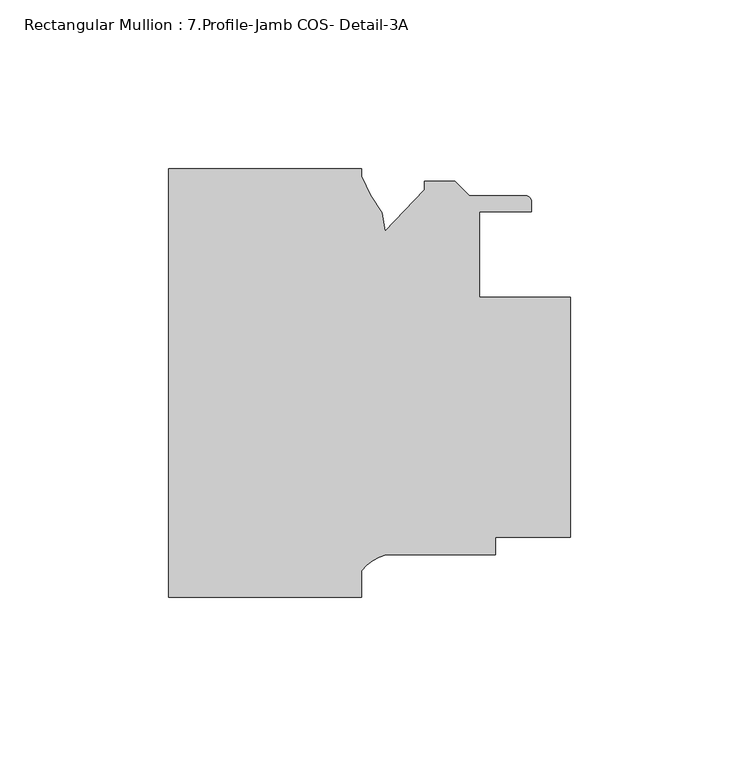
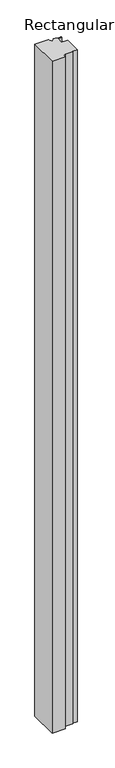
"""IFC4 building model written with IfcOpenShell, lengths in millimetres: member geometry, Rectangular Mullion : 7.Profile-Jamb COS- Detail-3A."""

from ifc_helpers import new_model, si_unit, point, frame, frame_2d, origin, place, context, project, spatial, polyline, circle_curve, trimmed, segment, composite_curve, outline, extrude, source, transform, mapped, element, save


def rectangular_mullion_7_profile_jamb_cos_detail_3a_f1c07e77(model_context):
    return source(origin(), model_context, "Body", "SweptSolid", [
        extrude(outline(composite_curve([segment(polyline([(-119.0625, -127.0), (-119.0625, 0.0), (-61.9125, 0.0), (-61.9125, -2.2148361)]), True, "CONTINUOUS"), segment(trimmed(circle_curve(frame_2d((-10.2567698, 19.7086056)), 56.1155216), [point((-61.9125, -2.2148361))], [point((-55.8195556, -13.0478337))], True, "CARTESIAN"), True, "CONTINUOUS"), segment(polyline([(-55.8195556, -13.0478337), (-54.8609039, -18.4846173), (-43.2363505, -6.2788361), (-43.2363505, -3.7388363), (-34.1360583, -3.7388363), (-29.8688583, -8.0060363), (-13.2643505, -8.0060363)]), True, "CONTINUOUS"), segment(trimmed(circle_curve(frame_2d((-13.2643505, -9.7840363)), 1.778), [point((-13.2643505, -8.0060363))], [point((-11.4863505, -9.7840363))], False, "CARTESIAN"), True, "CONTINUOUS"), segment(polyline([(-11.4863505, -9.7840363), (-11.4863505, -12.7050364), (-26.9875, -12.7050364), (-26.9875, -38.1050365), (0.0, -38.1050365), (0.0, -109.2250363), (-22.225, -109.2250363), (-22.225, -114.3050363), (-54.6199874, -114.3050363)]), True, "CONTINUOUS"), segment(trimmed(circle_curve(frame_2d((-51.0928184, -127.5358499)), 13.6928942), [point((-54.6199874, -114.3050363))], [point((-61.9125, -119.1436011))], True, "CARTESIAN"), True, "CONTINUOUS"), segment(polyline([(-61.9125, -119.1436011), (-61.9125, -127.0), (-119.0625, -127.0)]), True, "CONTINUOUS")], self_intersect=False)), frame((0.0, 0.0, -3048.0), z_axis=(0.0, 0.0, 1.0), x_axis=(1.0, 0.0, 0.0)), (0.0, 0.0, 1.0), 3048.0),
    ])


if __name__ == "__main__":
    model = new_model("IFC4")
    model_context = context("Model", 3, world=origin())
    ifc_project = project(units=[si_unit("LENGTHUNIT", "METRE", prefix="MILLI")], contexts=[model_context])
    site = spatial("IfcSite", under=ifc_project)
    building = spatial("IfcBuilding", under=site)
    placement = place(None, origin())
    rectangular_mullion_7_profile_jamb_cos_detail_3a_shape = rectangular_mullion_7_profile_jamb_cos_detail_3a_f1c07e77(model_context)
    element("IfcMember", 1, ObjectType="Rectangular Mullion : 7.Profile-Jamb COS- Detail-3A", at=placement, inside=building, context=model_context, shape_type="MappedRepresentation", body=[
        mapped(rectangular_mullion_7_profile_jamb_cos_detail_3a_shape, transform((0.0, 0.0, 0.0), x_axis=(1.0, 0.0, 0.0), y_axis=(0.0, 1.0, 0.0), z_axis=(0.0, 0.0, 1.0))),
    ])
    save(model, "model.ifc")
